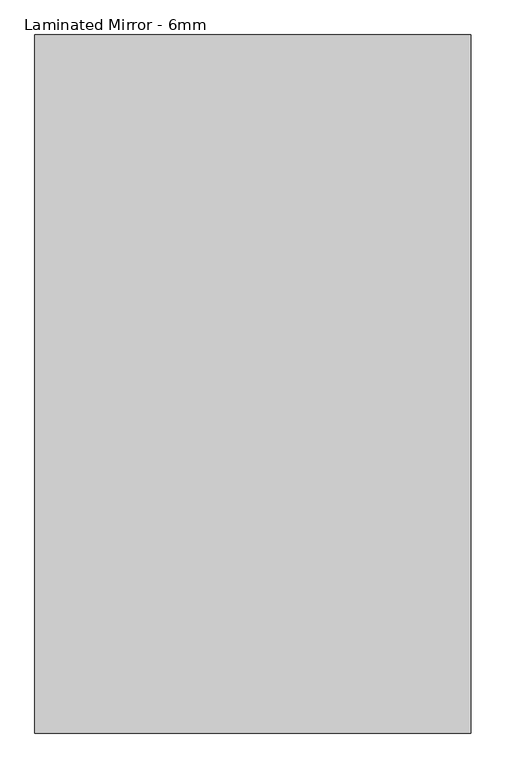
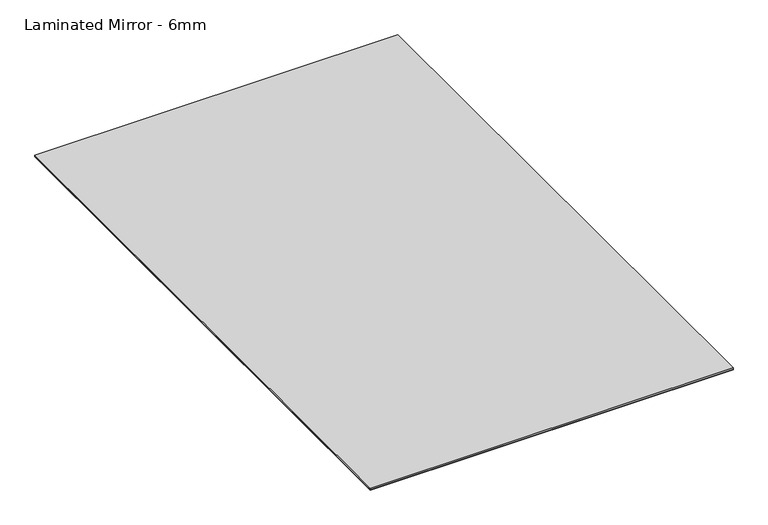
"""IFC4 building model written with IfcOpenShell, lengths in millimetres: proxy geometry, Laminated Mirror - 6mm."""

from ifc_helpers import new_model, si_unit, frame, origin, origin_with_axes, place, context, project, spatial, polyline, outline, extrude, source, transform, mapped, element, save


def laminated_mirror_6mm_6297ecf2(model_context):
    return source(origin(), model_context, "Body", "SweptSolid", [
        extrude(outline(polyline([(762.0, -1219.2), (-762.0, -1219.2), (-762.0, 1219.2), (762.0, 1219.2), (762.0, -1219.2)])), frame((0.0, 0.0, 1.984375), z_axis=(0.0, 0.0, 1.0), x_axis=(1.0, 0.0, 0.0)), (0.0, 0.0, 1.0), 6.35),
        extrude(outline(polyline([(762.0, 1219.2), (762.0, -1219.2), (-762.0, -1219.2), (-762.0, 1219.2), (762.0, 1219.2)])), origin_with_axes(), (0.0, 0.0, 1.0), 1.984375),
    ])


if __name__ == "__main__":
    model = new_model("IFC4")
    model_context = context("Model", 3, world=origin())
    ifc_project = project(units=[si_unit("LENGTHUNIT", "METRE", prefix="MILLI")], contexts=[model_context])
    site = spatial("IfcSite", under=ifc_project)
    building = spatial("IfcBuilding", under=site)
    placement = place(None, origin())
    laminated_mirror_6mm_shape = laminated_mirror_6mm_6297ecf2(model_context)
    element("IfcBuildingElementProxy", 1, Name="Laminated Mirror - 6mm", ObjectType="Laminated Mirror - 6mm", at=placement, inside=building, context=model_context, shape_type="MappedRepresentation", body=[
        mapped(laminated_mirror_6mm_shape, transform((0.0, 0.0, 0.0), x_axis=(1.0, 0.0, 0.0), y_axis=(0.0, 1.0, 0.0), z_axis=(0.0, 0.0, 1.0))),
    ])
    save(model, "model.ifc")
